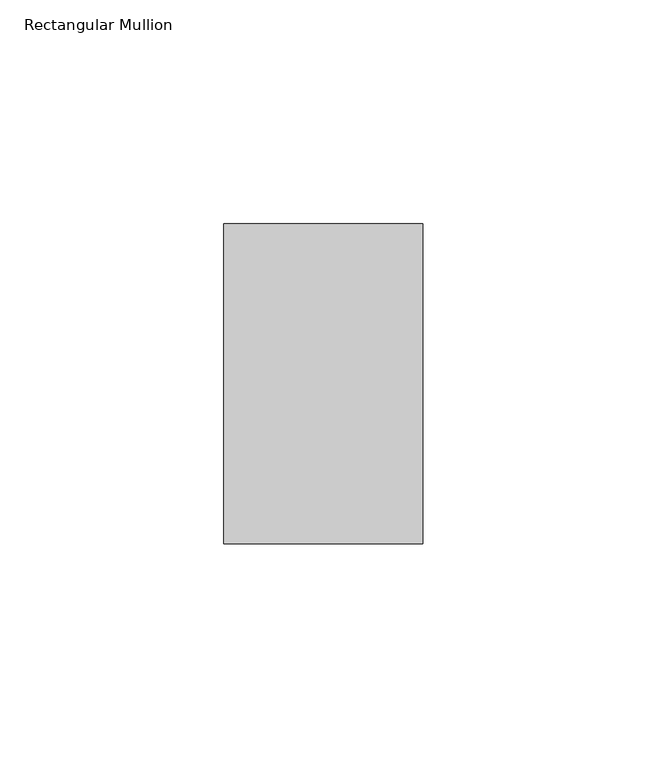
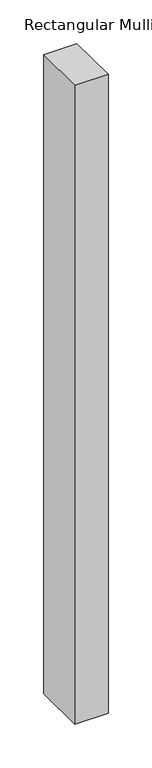
"""IFC4 building model written with IfcOpenShell, lengths in millimetres: member geometry, Rectangular Mullion."""

import ifcopenshell
import ifcopenshell.guid

model = None  # the IFC model being written
_history = None  # IfcOwnerHistory: only IFC2X3 demands one
_inside = {}  # id of a spatial element -> (the spatial element, [elements in it])
_under = {}  # id of a project, library or spatial element -> (it, [spatial elements below it])
_declared = {}  # id of a project -> (the project, [libraries it declares])
_typed = {}  # id of a type object -> (the type object, [elements of that type])
_made_of = {}  # id of a material, layer set ... -> (it, [elements and type objects made of it])


def new_model(schema):
    """Start an empty IFC model of exactly this schema.

    Asked for "IFC4X3", IfcOpenShell would pick the latest addendum, in which some entities
    have other attributes; the version numbers below select the first issue.
    IFC2X3 requires an IfcOwnerHistory on every rooted entity: one is made here for all.
    """
    global model, _history
    if schema == "IFC4X3":
        model = ifcopenshell.file(schema_version=(4, 3, 0, 0))
    else:
        model = ifcopenshell.file(schema=schema)
    _inside.clear()
    _under.clear()
    _declared.clear()
    _typed.clear()
    _made_of.clear()
    _history = None
    if model.schema == "IFC2X3":
        org = make("IfcOrganization", Name="unknown")
        user = make(
            "IfcPersonAndOrganization",
            ThePerson=make("IfcPerson", FamilyName="unknown"),
            TheOrganization=org,
        )
        app = make(
            "IfcApplication",
            ApplicationDeveloper=org,
            Version="unknown",
            ApplicationFullName="unknown",
            ApplicationIdentifier="unknown",
        )
        _history = make(
            "IfcOwnerHistory",
            OwningUser=user,
            OwningApplication=app,
            ChangeAction="ADDED",
            CreationDate=0,
        )
    return model


def make(cls, **values):
    """One entity of the class cls with the attributes given. An attribute that is None is left unset."""
    return model.create_entity(
        cls, **{name: value for name, value in values.items() if value is not None}
    )


def rooted(cls, **values):
    """An entity with a GlobalId (a new one), such as an element, a storey or a relation."""
    return make(cls, GlobalId=ifcopenshell.guid.new(), OwnerHistory=_history, **values)


def si_unit(unit_type, name, prefix=None):
    """IfcSIUnit, for example si_unit("LENGTHUNIT", "METRE", prefix="MILLI")."""
    return make("IfcSIUnit", UnitType=unit_type, Prefix=prefix, Name=name)


def assignment(units):
    """IfcUnitAssignment: the units of a project."""
    return None if units is None else make("IfcUnitAssignment", Units=units)


def point(xyz):
    """IfcCartesianPoint."""
    return None if xyz is None else make("IfcCartesianPoint", Coordinates=xyz)


def direction(xyz):
    """IfcDirection."""
    return None if xyz is None else make("IfcDirection", DirectionRatios=xyz)


def frame(location, z_axis=None, x_axis=None):
    """IfcAxis2Placement3D, a coordinate frame: its origin and axes. An axis left out is left unset."""
    return make(
        "IfcAxis2Placement3D",
        Location=point(location),
        Axis=direction(z_axis),
        RefDirection=direction(x_axis),
    )


def origin():
    """The frame at (0, 0, 0) with its axes left unset."""
    return frame((0.0, 0.0, 0.0))


def place(relative_to, where):
    """IfcLocalPlacement: puts the frame where relative to a parent placement (None: the world)."""
    return make(
        "IfcLocalPlacement", PlacementRelTo=relative_to, RelativePlacement=where
    )


def context(
    kind, dimensions, precision=None, world=None, true_north=None, identifier=None
):
    """IfcGeometricRepresentationContext, for example the 3D "Model" context."""
    return make(
        "IfcGeometricRepresentationContext",
        ContextIdentifier=identifier,
        ContextType=kind,
        CoordinateSpaceDimension=dimensions,
        Precision=precision,
        WorldCoordinateSystem=world,
        TrueNorth=true_north,
    )


def project(units=None, contexts=None):
    """IfcProject with its units and contexts."""
    return rooted(
        "IfcProject",
        Name="project",
        RepresentationContexts=contexts,
        UnitsInContext=assignment(units),
    )


def spatial(cls, under=None, at=None, **own):
    """A site, building, storey or space (cls), placed at a placement, below another one or the project."""
    s = rooted(cls, ObjectPlacement=at, **own)
    if under is not None:
        _under.setdefault(under.id(), (under, []))[1].append(s)
    return s


def polyline(points):
    """IfcPolyline through the points."""
    return make("IfcPolyline", Points=[point(p) for p in points])


def outline(outer, holes=None, kind="AREA"):
    """IfcArbitraryClosedProfileDef: a profile drawn as a closed curve; with holes, ...WithVoids."""
    if holes is None:
        return make("IfcArbitraryClosedProfileDef", ProfileType=kind, OuterCurve=outer)
    return make(
        "IfcArbitraryProfileDefWithVoids",
        ProfileType=kind,
        OuterCurve=outer,
        InnerCurves=holes,
    )


def extrude(swept, where, along, depth):
    """IfcExtrudedAreaSolid: the profile swept, set in the frame where, extruded along a direction by depth."""
    return make(
        "IfcExtrudedAreaSolid",
        SweptArea=swept,
        Position=where,
        ExtrudedDirection=direction(along),
        Depth=depth,
    )


def shape(context_of_items, identifier, shape_type, items):
    """IfcShapeRepresentation: the items that make up one representation, for example the "Body"."""
    return make(
        "IfcShapeRepresentation",
        ContextOfItems=context_of_items,
        RepresentationIdentifier=identifier,
        RepresentationType=shape_type,
        Items=items,
    )


def source(mapping_origin, context_of_items, identifier, shape_type, items):
    """IfcRepresentationMap: a shape defined once, which mapped items show again and again."""
    return make(
        "IfcRepresentationMap",
        MappingOrigin=mapping_origin,
        MappedRepresentation=shape(context_of_items, identifier, shape_type, items),
    )


def transform(
    local_origin,
    x_axis=None,
    y_axis=None,
    z_axis=None,
    scale=None,
    scale2=None,
    scale3=None,
    uniform=True,
):
    """IfcCartesianTransformationOperator3D, or its non-uniform kind. x_axis, y_axis, z_axis: its Axis1, 2, 3."""
    if uniform:
        return make(
            "IfcCartesianTransformationOperator3D",
            Axis1=direction(x_axis),
            Axis2=direction(y_axis),
            LocalOrigin=point(local_origin),
            Scale=scale,
            Axis3=direction(z_axis),
        )
    return make(
        "IfcCartesianTransformationOperator3DnonUniform",
        Axis1=direction(x_axis),
        Axis2=direction(y_axis),
        LocalOrigin=point(local_origin),
        Scale=scale,
        Axis3=direction(z_axis),
        Scale2=scale2,
        Scale3=scale3,
    )


def mapped(mapping_source, mapping_target):
    """IfcMappedItem: shows the shape of a source again, moved by a transform."""
    return make(
        "IfcMappedItem", MappingSource=mapping_source, MappingTarget=mapping_target
    )


def made_of(thing, what):
    """Note that an element or type object is made of a material, layer set ...; save() writes the relation."""
    if what is not None:
        _made_of.setdefault(what.id(), (what, []))[1].append(thing)
    return thing


def element(
    cls,
    number,
    at=None,
    inside=None,
    cuts=None,
    type_object=None,
    material=None,
    context=None,
    identifier="Body",
    shape_type=None,
    held_by="IfcProductDefinitionShape",
    body=None,
    shapes=None,
    **own,
):
    """One element of the class cls, such as IfcWall. Its Tag is "e" and its number.

    at: its placement. inside: the storey or other place that contains it. cuts: it is an
    opening in that element (IfcRelVoidsElement). A single representation is given by context,
    identifier, shape_type and body (its items); several are given by shapes. held_by: the class
    of the entity that holds the representations. save() writes the other relations.
    """
    e = rooted(cls, Tag="e%d" % number, ObjectPlacement=at, **own)
    if body is not None:
        shapes = [shape(context, identifier, shape_type, body)]
    if shapes is not None:
        e.Representation = make(held_by, Representations=shapes)
    if inside is not None:
        _inside.setdefault(inside.id(), (inside, []))[1].append(e)
    if cuts is not None:
        rooted(
            "IfcRelVoidsElement", RelatingBuildingElement=cuts, RelatedOpeningElement=e
        )
    if type_object is not None:
        _typed.setdefault(type_object.id(), (type_object, []))[1].append(e)
    return made_of(e, material)


def aggregate(whole, parts):
    """IfcRelAggregates: a whole, such as a stair, and the parts it consists of."""
    return rooted("IfcRelAggregates", RelatingObject=whole, RelatedObjects=parts)


def save(model, path):
    """Write the relations noted so far, then the file.

    IfcRelAggregates (storeys below a building ...), IfcRelContainedInSpatialStructure (elements
    in a storey), IfcRelDefinesByType, IfcRelAssociatesMaterial and IfcRelDeclares: one each for
    every whole, place, type object, material and project.
    """
    for whole, parts in _under.values():
        aggregate(whole, parts)
    for where, things in _inside.values():
        rooted(
            "IfcRelContainedInSpatialStructure",
            RelatedElements=things,
            RelatingStructure=where,
        )
    for kind, things in _typed.values():
        rooted("IfcRelDefinesByType", RelatedObjects=things, RelatingType=kind)
    for what, things in _made_of.values():
        rooted("IfcRelAssociatesMaterial", RelatedObjects=things, RelatingMaterial=what)
    for by, libraries in _declared.values():
        rooted("IfcRelDeclares", RelatingContext=by, RelatedDefinitions=libraries)
    model.write(path)


def rectangular_mullion_1d5dfb0d(model_context):
    return source(origin(), model_context, "Body", "SweptSolid", [
        extrude(outline(polyline([(0.0, 35.71875), (0.0, -35.71875), (-44.45, -35.71875), (-44.45, 35.71875), (0.0, 35.71875)])), frame((0.0, 0.0, -896.62), z_axis=(0.0, 0.0, 1.0), x_axis=(1.0, 0.0, 0.0)), (0.0, 0.0, 1.0), 896.62),
    ])


if __name__ == "__main__":
    model = new_model("IFC4")
    model_context = context("Model", 3, world=origin())
    ifc_project = project(units=[si_unit("LENGTHUNIT", "METRE", prefix="MILLI")], contexts=[model_context])
    site = spatial("IfcSite", under=ifc_project)
    building = spatial("IfcBuilding", under=site)
    placement = place(None, origin())
    rectangular_mullion_shape = rectangular_mullion_1d5dfb0d(model_context)
    element("IfcMember", 1, ObjectType="Rectangular Mullion", at=placement, inside=building, context=model_context, shape_type="MappedRepresentation", body=[
        mapped(rectangular_mullion_shape, transform((0.0, 0.0, 0.0), x_axis=(1.0, 0.0, 0.0), y_axis=(0.0, 1.0, 0.0), z_axis=(0.0, 0.0, 1.0))),
    ])
    save(model, "model.ifc")
